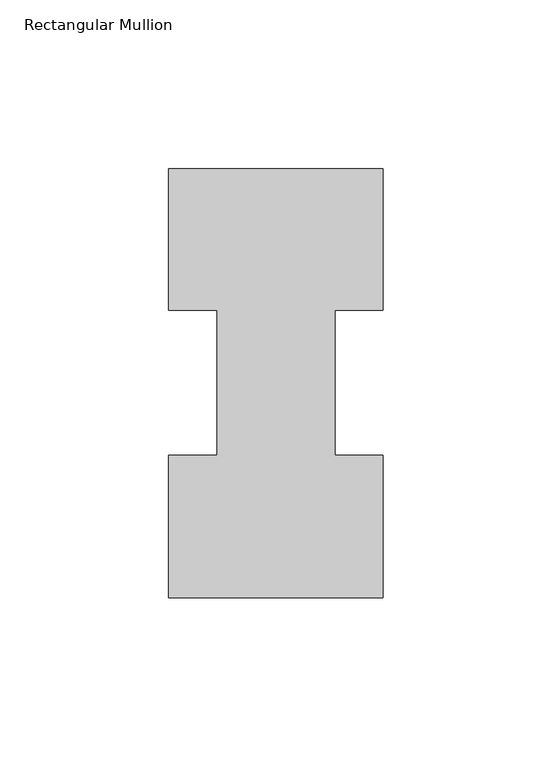
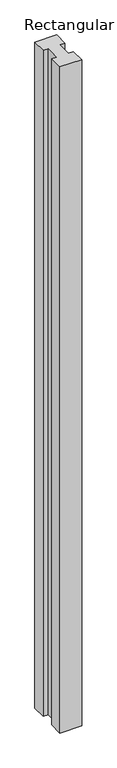
"""IFC4 building model written with IfcOpenShell, lengths in millimetres: member geometry, Rectangular Mullion."""

from ifc_helpers import new_model, si_unit, frame, origin, place, context, project, spatial, polyline, outline, extrude, source, transform, mapped, element, save


def rectangular_mullion_de753914(model_context):
    return source(origin(), model_context, "Body", "SweptSolid", [
        extrude(outline(polyline([(31.75, 84.93125), (17.4625, 84.93125), (17.4625, 42.08145), (31.75, 42.08145), (31.75, -0.20955), (-31.75, -0.20955), (-31.75, 42.08145), (-17.4625, 42.08145), (-17.4625, 84.93125), (-31.75, 84.93125), (-31.75, 126.79045), (31.75, 126.79045), (31.75, 84.93125)])), frame((0.0, 0.0, -2060.575), z_axis=(0.0, 0.0, 1.0), x_axis=(1.0, 0.0, 0.0)), (0.0, 0.0, 1.0), 2060.575),
    ])


if __name__ == "__main__":
    model = new_model("IFC4")
    model_context = context("Model", 3, world=origin())
    ifc_project = project(units=[si_unit("LENGTHUNIT", "METRE", prefix="MILLI")], contexts=[model_context])
    site = spatial("IfcSite", under=ifc_project)
    building = spatial("IfcBuilding", under=site)
    placement = place(None, origin())
    rectangular_mullion_shape = rectangular_mullion_de753914(model_context)
    element("IfcMember", 1, ObjectType="Rectangular Mullion", at=placement, inside=building, context=model_context, shape_type="MappedRepresentation", body=[
        mapped(rectangular_mullion_shape, transform((0.0, 0.0, 0.0), x_axis=(1.0, 0.0, 0.0), y_axis=(0.0, 1.0, 0.0), z_axis=(0.0, 0.0, 1.0))),
    ])
    save(model, "model.ifc")
